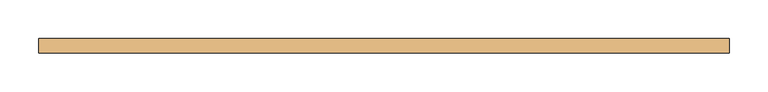
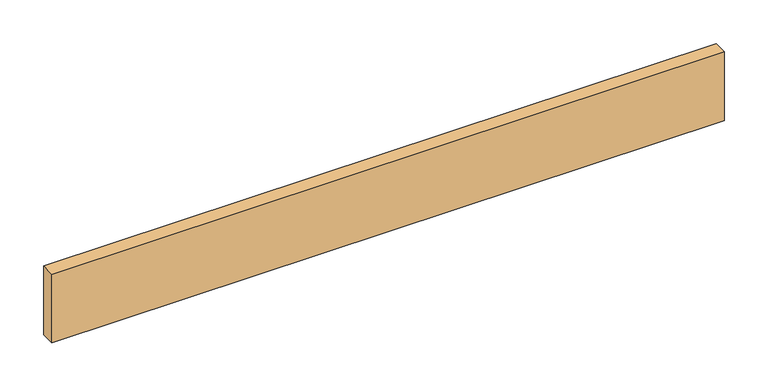
"""IFC4 building model written with IfcOpenShell, lengths in millimetres: door geometry."""

from ifc_helpers import new_model, si_unit, origin, origin_with_axes, place, context, project, spatial, polyline, outline, extrude, source, transform, mapped, element, save


def door_0f0868af(model_context):
    return source(origin(), model_context, "Body", "SweptSolid", [
        extrude(outline(polyline([(445.6142736, 0.0), (-445.6142736, 0.0), (-445.6142736, 19.05), (445.6142736, 19.05), (445.6142736, 0.0)])), origin_with_axes(), (0.0, 0.0, 1.0), 96.52),
    ])


if __name__ == "__main__":
    model = new_model("IFC4")
    model_context = context("Model", 3, world=origin())
    ifc_project = project(units=[si_unit("LENGTHUNIT", "METRE", prefix="MILLI")], contexts=[model_context])
    site = spatial("IfcSite", under=ifc_project)
    building = spatial("IfcBuilding", under=site)
    placement = place(None, origin())
    door_shape = door_0f0868af(model_context)
    element("IfcDoor", 1, at=placement, inside=building, context=model_context, shape_type="MappedRepresentation", body=[
        mapped(door_shape, transform((0.0, 0.0, 0.0), x_axis=(1.0, 0.0, 0.0), y_axis=(0.0, 1.0, 0.0), z_axis=(0.0, 0.0, 1.0))),
    ])
    save(model, "model.ifc")
